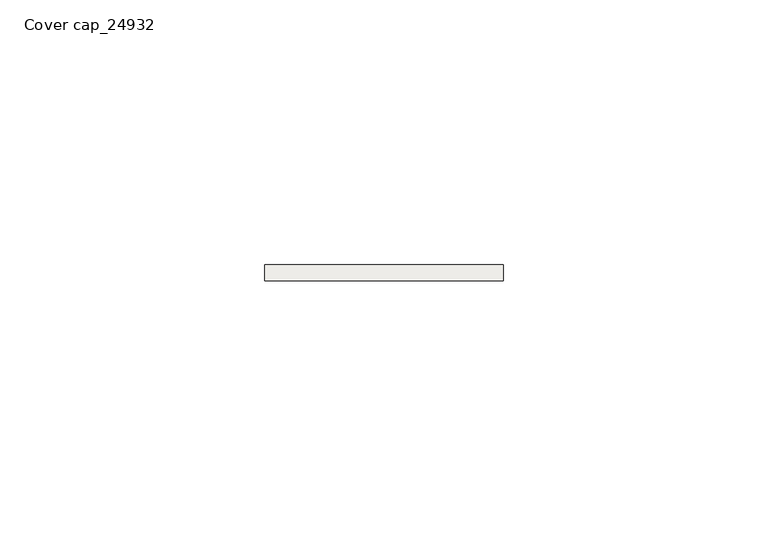
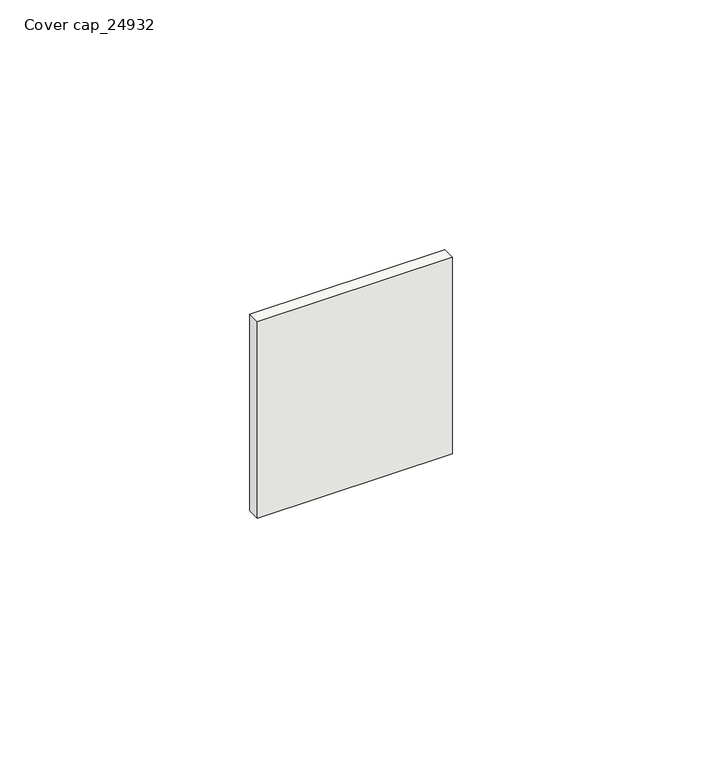
"""IFC4 building model written with IfcOpenShell, lengths in millimetres: covering geometry, Cover cap_24932."""

from ifc_helpers import new_model, si_unit, frame, origin, place, context, project, spatial, polyline, outline, extrude, source, transform, mapped, element, save


def cover_cap_24932_da220c75(model_context):
    return source(origin(), model_context, "Body", "SweptSolid", [
        extrude(outline(polyline([(37.0, 0.0), (-8.0, 0.0), (-8.0, 3.0), (37.0, 3.0), (37.0, 0.0)])), frame((0.0, 0.0, -2.0), z_axis=(0.0, 0.0, 1.0), x_axis=(1.0, 0.0, 0.0)), (0.0, 0.0, 1.0), 48.0),
    ])


if __name__ == "__main__":
    model = new_model("IFC4")
    model_context = context("Model", 3, world=origin())
    ifc_project = project(units=[si_unit("LENGTHUNIT", "METRE", prefix="MILLI")], contexts=[model_context])
    site = spatial("IfcSite", under=ifc_project)
    building = spatial("IfcBuilding", under=site)
    placement = place(None, origin())
    cover_cap_24932_shape = cover_cap_24932_da220c75(model_context)
    element("IfcCovering", 1, ObjectType="Cover cap_24932", at=placement, inside=building, context=model_context, shape_type="MappedRepresentation", body=[
        mapped(cover_cap_24932_shape, transform((0.0, 0.0, 0.0), x_axis=(1.0, 0.0, 0.0), y_axis=(0.0, 1.0, 0.0), z_axis=(0.0, 0.0, 1.0))),
    ])
    save(model, "model.ifc")
